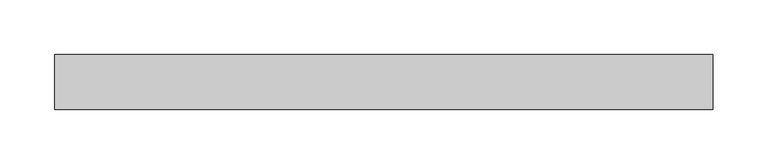
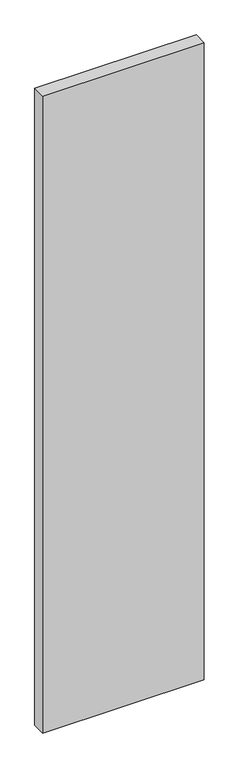
"""IFC4 building model written with IfcOpenShell, lengths in millimetres: proxy geometry."""

from ifc_helpers import new_model, si_unit, origin, origin_with_axes, place, context, project, spatial, polyline, outline, extrude, source, transform, mapped, element, save


def generic_models_464459ce(model_context):
    return source(origin(), model_context, "Body", "SweptSolid", [
        extrude(outline(polyline([(-299.9999942, -25.0000103), (-299.9999946, 25.0000318), (299.9999942, 25.0000103), (299.9999946, -25.0000318), (-299.9999942, -25.0000103)])), origin_with_axes(), (0.0, 0.0, 1.0), 2500.0),
    ])


if __name__ == "__main__":
    model = new_model("IFC4")
    model_context = context("Model", 3, world=origin())
    ifc_project = project(units=[si_unit("LENGTHUNIT", "METRE", prefix="MILLI")], contexts=[model_context])
    site = spatial("IfcSite", under=ifc_project)
    building = spatial("IfcBuilding", under=site)
    placement = place(None, origin())
    generic_models_shape = generic_models_464459ce(model_context)
    element("IfcBuildingElementProxy", 1, Name="Generic Models", at=placement, inside=building, context=model_context, shape_type="MappedRepresentation", body=[
        mapped(generic_models_shape, transform((0.0, 0.0, 0.0), x_axis=(1.0, 0.0, 0.0), y_axis=(0.0, 1.0, 0.0), z_axis=(0.0, 0.0, 1.0))),
    ])
    save(model, "model.ifc")
